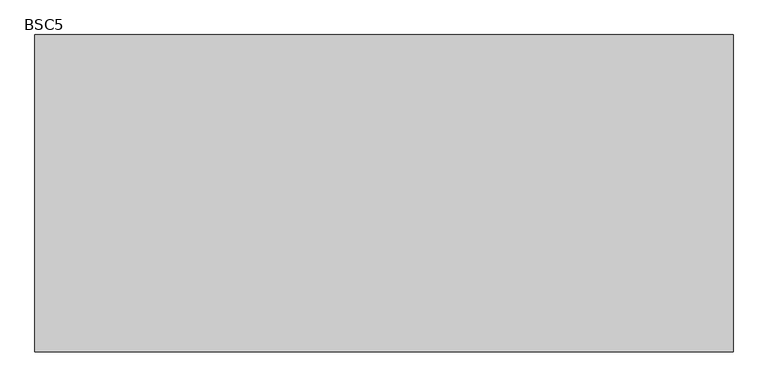
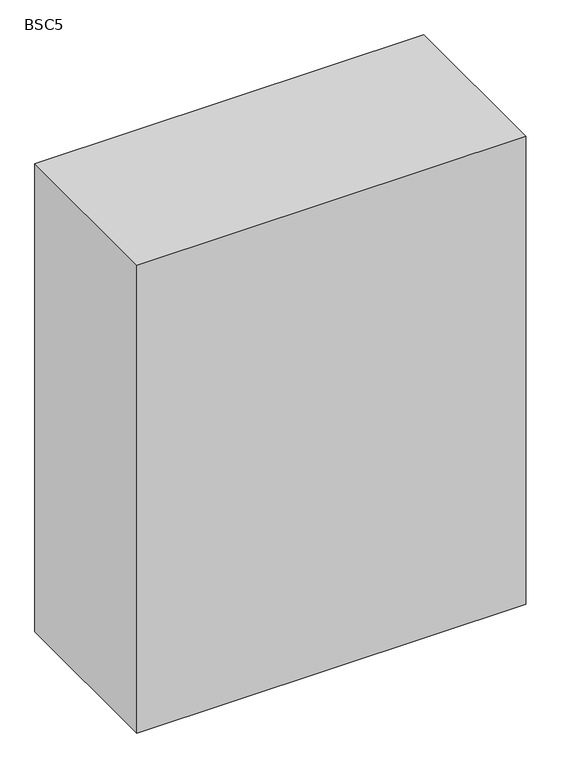
"""IFC4 building model written with IfcOpenShell, lengths in millimetres: proxy geometry, BSC5."""

from ifc_helpers import new_model, si_unit, origin, origin_with_axes, place, context, project, spatial, polyline, outline, extrude, source, transform, mapped, element, save


def bsc5_341f247a(model_context):
    return source(origin(), model_context, "Body", "SweptSolid", [
        extrude(outline(polyline([(247.3377049, 609.6), (247.3377049, -152.4), (-1429.0622951, -152.4), (-1429.0622951, 609.6), (247.3377049, 609.6)])), origin_with_axes(), (0.0, 0.0, 1.0), 2133.6),
    ])


if __name__ == "__main__":
    model = new_model("IFC4")
    model_context = context("Model", 3, world=origin())
    ifc_project = project(units=[si_unit("LENGTHUNIT", "METRE", prefix="MILLI")], contexts=[model_context])
    site = spatial("IfcSite", under=ifc_project)
    building = spatial("IfcBuilding", under=site)
    placement = place(None, origin())
    bsc5_shape = bsc5_341f247a(model_context)
    element("IfcBuildingElementProxy", 1, Name="BSC5", ObjectType="BSC5", at=placement, inside=building, context=model_context, shape_type="MappedRepresentation", body=[
        mapped(bsc5_shape, transform((0.0, 0.0, 0.0), x_axis=(1.0, 0.0, 0.0), y_axis=(0.0, 1.0, 0.0), z_axis=(0.0, 0.0, 1.0))),
    ])
    save(model, "model.ifc")
